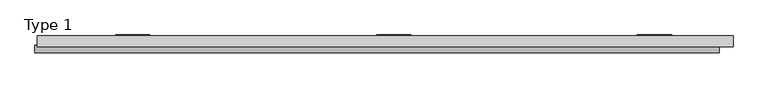
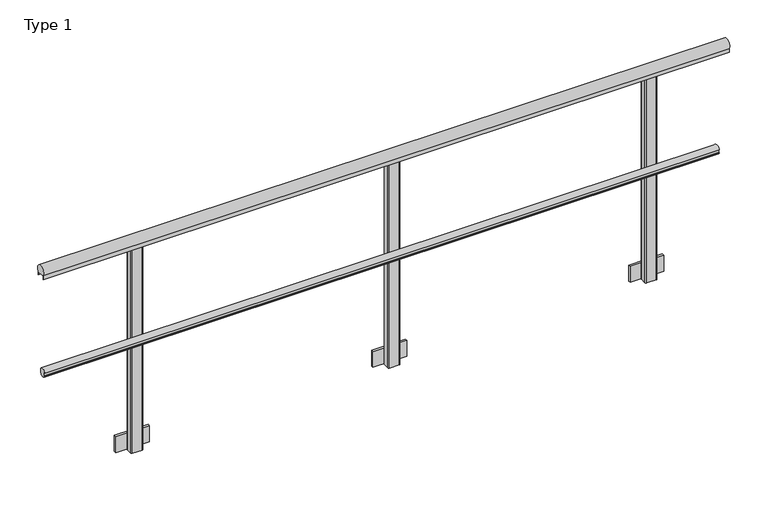
"""IFC4 building model written with IfcOpenShell, lengths in millimetres: railing geometry, Type 1."""

from ifc_helpers import new_model, si_unit, point, frame, frame_2d, origin, place, context, project, spatial, polyline, circle_curve, trimmed, segment, composite_curve, outline, extrude, source, transform, mapped, element, save


def type_1_7e6dfbd7(model_context):
    return source(origin(), model_context, "Body", "SweptSolid", [
        extrude(outline(composite_curve([segment(polyline([(-34.3, 480.617273), (-30.3, 480.617273), (-30.3, 495.382727), (-34.3, 495.382727)]), True, "CONTINUOUS"), segment(trimmed(circle_curve(frame_2d((-15.712495, 488.0)), 20.0), [point((-34.3, 495.382727))], [point((0.0, 500.3740657))], False, "CARTESIAN"), True, "CONTINUOUS"), segment(polyline([(0.0, 500.3740657), (0.0, 475.6259343)]), True, "CONTINUOUS"), segment(trimmed(circle_curve(frame_2d((-15.712495, 488.0)), 20.0), [point((0.0, 475.6259343))], [point((-34.3, 480.617273))], False, "CARTESIAN"), True, "CONTINUOUS")], self_intersect=False)), frame((-430.0, 0.0, 0.0), z_axis=(1.0, 0.0, 0.0), x_axis=(0.0, 1.0, 0.0)), (0.0, 0.0, 1.0), 3205.0),
        extrude(outline(composite_curve([segment(polyline([(40.0, 961.43534), (40.0, 943.0), (39.0, 943.0), (39.0, 958.0), (-1.0, 958.0), (-1.0, 943.0), (-2.0, 943.0), (-2.0, 961.43534)]), True, "CONTINUOUS"), segment(trimmed(circle_curve(frame_2d((19.0, 975.0)), 25.0), [point((-2.0, 961.43534))], [point((40.0, 961.43534))], False, "CARTESIAN"), True, "CONTINUOUS")], self_intersect=False)), frame((-420.0, 0.0, 0.0), z_axis=(1.0, 0.0, 0.0), x_axis=(0.0, 1.0, 0.0)), (0.0, 0.0, 1.0), 3260.0),
        extrude(outline(polyline([(1330.0, 48.5), (1330.0, 38.0), (1170.0, 38.0), (1170.0, 48.5), (1330.0, 48.5)])), frame((0.0, 0.0, -80.0), z_axis=(0.0, 0.0, 1.0), x_axis=(1.0, 0.0, 0.0)), (0.0, 0.0, 1.0), 80.0),
        extrude(outline(composite_curve([segment(polyline([(1227.0, 38.0), (1273.0, 38.0)]), True, "CONTINUOUS"), segment(trimmed(circle_curve(frame_2d((1273.0, 33.0)), 5.0), [point((1273.0, 38.0))], [point((1278.0, 33.0))], False, "CARTESIAN"), True, "CONTINUOUS"), segment(polyline([(1278.0, 33.0), (1278.0, 5.0)]), True, "CONTINUOUS"), segment(trimmed(circle_curve(frame_2d((1273.0, 5.0)), 5.0), [point((1278.0, 5.0))], [point((1273.0, 0.0))], False, "CARTESIAN"), True, "CONTINUOUS"), segment(polyline([(1273.0, 0.0), (1227.0, 0.0)]), True, "CONTINUOUS"), segment(trimmed(circle_curve(frame_2d((1227.0, 5.0)), 5.0), [point((1227.0, 0.0))], [point((1222.0, 5.0))], False, "CARTESIAN"), True, "CONTINUOUS"), segment(polyline([(1222.0, 5.0), (1222.0, 33.0)]), True, "CONTINUOUS"), segment(trimmed(circle_curve(frame_2d((1227.0, 33.0)), 5.0), [point((1222.0, 33.0))], [point((1227.0, 38.0))], False, "CARTESIAN"), True, "CONTINUOUS")], self_intersect=False)), frame((0.0, 0.0, -80.0), z_axis=(0.0, 0.0, 1.0), x_axis=(1.0, 0.0, 0.0)), (0.0, 0.0, 1.0), 1038.0),
        extrude(outline(polyline([(2552.0, 48.5), (2552.0, 38.0), (2392.0, 38.0), (2392.0, 48.5), (2552.0, 48.5)])), frame((0.0, 0.0, -80.0), z_axis=(0.0, 0.0, 1.0), x_axis=(1.0, 0.0, 0.0)), (0.0, 0.0, 1.0), 80.0),
        extrude(outline(composite_curve([segment(polyline([(2449.0, 38.0), (2495.0, 38.0)]), True, "CONTINUOUS"), segment(trimmed(circle_curve(frame_2d((2495.0, 33.0)), 5.0), [point((2495.0, 38.0))], [point((2500.0, 33.0))], False, "CARTESIAN"), True, "CONTINUOUS"), segment(polyline([(2500.0, 33.0), (2500.0, 5.0)]), True, "CONTINUOUS"), segment(trimmed(circle_curve(frame_2d((2495.0, 5.0)), 5.0), [point((2500.0, 5.0))], [point((2495.0, 0.0))], False, "CARTESIAN"), True, "CONTINUOUS"), segment(polyline([(2495.0, 0.0), (2449.0, 0.0)]), True, "CONTINUOUS"), segment(trimmed(circle_curve(frame_2d((2449.0, 5.0)), 5.0), [point((2449.0, 0.0))], [point((2444.0, 5.0))], False, "CARTESIAN"), True, "CONTINUOUS"), segment(polyline([(2444.0, 5.0), (2444.0, 33.0)]), True, "CONTINUOUS"), segment(trimmed(circle_curve(frame_2d((2449.0, 33.0)), 5.0), [point((2444.0, 33.0))], [point((2449.0, 38.0))], False, "CARTESIAN"), True, "CONTINUOUS")], self_intersect=False)), frame((0.0, 0.0, -80.0), z_axis=(0.0, 0.0, 1.0), x_axis=(1.0, 0.0, 0.0)), (0.0, 0.0, 1.0), 1038.0),
        extrude(outline(polyline([(108.0, 48.5), (108.0, 38.0), (-52.0, 38.0), (-52.0, 48.5), (108.0, 48.5)])), frame((0.0, 0.0, -80.0), z_axis=(0.0, 0.0, 1.0), x_axis=(1.0, 0.0, 0.0)), (0.0, 0.0, 1.0), 80.0),
        extrude(outline(composite_curve([segment(polyline([(5.0, 38.0), (51.0, 38.0)]), True, "CONTINUOUS"), segment(trimmed(circle_curve(frame_2d((51.0, 33.0)), 5.0), [point((51.0, 38.0))], [point((56.0, 33.0))], False, "CARTESIAN"), True, "CONTINUOUS"), segment(polyline([(56.0, 33.0), (56.0, 5.0)]), True, "CONTINUOUS"), segment(trimmed(circle_curve(frame_2d((51.0, 5.0)), 5.0), [point((56.0, 5.0))], [point((51.0, 0.0))], False, "CARTESIAN"), True, "CONTINUOUS"), segment(polyline([(51.0, 0.0), (5.0, 0.0)]), True, "CONTINUOUS"), segment(trimmed(circle_curve(frame_2d((5.0, 5.0)), 5.0), [point((5.0, 0.0))], [point((0.0, 5.0))], False, "CARTESIAN"), True, "CONTINUOUS"), segment(polyline([(0.0, 5.0), (0.0, 33.0)]), True, "CONTINUOUS"), segment(trimmed(circle_curve(frame_2d((5.0, 33.0)), 5.0), [point((0.0, 33.0))], [point((5.0, 38.0))], False, "CARTESIAN"), True, "CONTINUOUS")], self_intersect=False)), frame((0.0, 0.0, -80.0), z_axis=(0.0, 0.0, 1.0), x_axis=(1.0, 0.0, 0.0)), (0.0, 0.0, 1.0), 1038.0),
    ])


if __name__ == "__main__":
    model = new_model("IFC4")
    model_context = context("Model", 3, world=origin())
    ifc_project = project(units=[si_unit("LENGTHUNIT", "METRE", prefix="MILLI")], contexts=[model_context])
    site = spatial("IfcSite", under=ifc_project)
    building = spatial("IfcBuilding", under=site)
    placement = place(None, origin())
    type_1_shape = type_1_7e6dfbd7(model_context)
    element("IfcRailing", 1, ObjectType="Type 1", at=placement, inside=building, context=model_context, shape_type="MappedRepresentation", body=[
        mapped(type_1_shape, transform((0.0, 0.0, 0.0), x_axis=(1.0, 0.0, 0.0), y_axis=(0.0, 1.0, 0.0), z_axis=(0.0, 0.0, 1.0))),
    ])
    save(model, "model.ifc")
